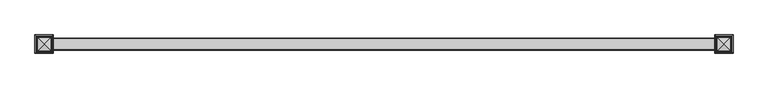
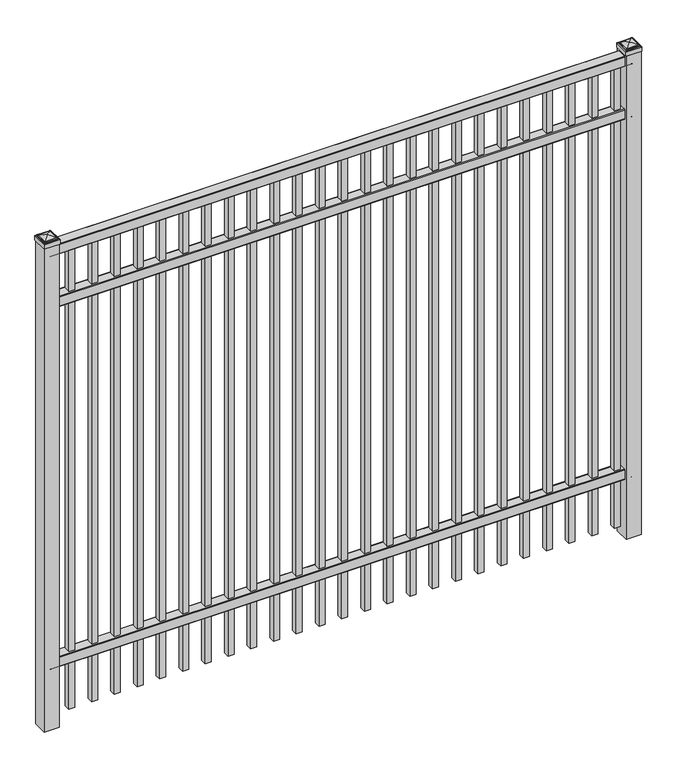
"""IFC4 building model written with IfcOpenShell, lengths in millimetres: railing geometry."""

from ifc_helpers import new_model, si_unit, point, frame, frame_2d, origin, origin_with_axes, place, context, project, spatial, polyline, circle_curve, ellipse_curve, trimmed, segment, composite_curve, outline, extrude, source, transform, mapped, element, save
from ifc_brep_helpers import plane_surface, cylinder_surface, advanced_brep


def railing_3bb2d0bb(model_context):
    return source(origin(), model_context, "Body", "SolidModel", [
        extrude(outline(composite_curve([segment(polyline([(8825.9139761, 304.8), (8863.969541, 304.8)]), True, "CONTINUOUS"), segment(trimmed(circle_curve(frame_2d((8863.969541, 301.625)), 3.175), [point((8863.969541, 304.8))], [point((8867.144541, 301.625))], False, "CARTESIAN"), True, "CONTINUOUS"), segment(polyline([(8867.144541, 301.625), (8867.144541, 262.1439893)]), True, "CONTINUOUS"), segment(trimmed(circle_curve(frame_2d((8865.3505518, 262.1439893)), 1.7939893), [point((8867.144541, 262.1439893))], [point((8865.3505518, 260.35))], False, "CARTESIAN"), True, "CONTINUOUS"), segment(polyline([(8865.3505518, 260.35), (8862.7590713, 260.35)]), True, "CONTINUOUS"), segment(trimmed(circle_curve(frame_2d((8862.7590713, 262.1359375)), 1.7859375), [point((8862.7590713, 260.35))], [point((8860.9755813, 262.0424688))], False, "CARTESIAN"), True, "CONTINUOUS"), segment(polyline([(8860.9755813, 262.0424688), (8859.4025867, 292.0569942), (8830.4364954, 292.0569942), (8828.8635007, 262.0424688)]), True, "CONTINUOUS"), segment(trimmed(circle_curve(frame_2d((8827.0800108, 262.1359375)), 1.7859375), [point((8828.8635007, 262.0424688))], [point((8827.0800108, 260.35))], False, "CARTESIAN"), True, "CONTINUOUS"), segment(polyline([(8827.0800108, 260.35), (8824.4804785, 260.35)]), True, "CONTINUOUS"), segment(trimmed(circle_curve(frame_2d((8824.4804785, 262.1359375)), 1.7859375), [point((8824.4804785, 260.35))], [point((8822.694541, 262.1359375))], False, "CARTESIAN"), True, "CONTINUOUS"), segment(polyline([(8822.694541, 262.1359375), (8822.694541, 301.5805649)]), True, "CONTINUOUS"), segment(trimmed(circle_curve(frame_2d((8825.9139761, 301.5805649)), 3.2194351), [point((8822.694541, 301.5805649))], [point((8825.9139761, 304.8))], False, "CARTESIAN"), True, "CONTINUOUS")], self_intersect=False)), frame((-10765.0649936, 0.0, 0.0), z_axis=(1.0, 0.0, 0.0), x_axis=(0.0, 1.0, 0.0)), (0.0, 0.0, 1.0), 2438.4),
        extrude(outline(composite_curve([segment(polyline([(8825.9139761, 1900.2375), (8863.969541, 1900.2375)]), True, "CONTINUOUS"), segment(trimmed(circle_curve(frame_2d((8863.969541, 1897.0625)), 3.175), [point((8863.969541, 1900.2375))], [point((8867.144541, 1897.0625))], False, "CARTESIAN"), True, "CONTINUOUS"), segment(polyline([(8867.144541, 1897.0625), (8867.144541, 1857.5814893)]), True, "CONTINUOUS"), segment(trimmed(circle_curve(frame_2d((8865.3505518, 1857.5814893)), 1.7939893), [point((8867.144541, 1857.5814893))], [point((8865.3505518, 1855.7875))], False, "CARTESIAN"), True, "CONTINUOUS"), segment(polyline([(8865.3505518, 1855.7875), (8862.7590713, 1855.7875)]), True, "CONTINUOUS"), segment(trimmed(circle_curve(frame_2d((8862.7590713, 1857.5734375)), 1.7859375), [point((8862.7590713, 1855.7875))], [point((8860.9755813, 1857.4799688))], False, "CARTESIAN"), True, "CONTINUOUS"), segment(polyline([(8860.9755813, 1857.4799688), (8859.4025867, 1887.4944942), (8830.4364954, 1887.4944942), (8828.8635007, 1857.4799688)]), True, "CONTINUOUS"), segment(trimmed(circle_curve(frame_2d((8827.0800108, 1857.5734375)), 1.7859375), [point((8828.8635007, 1857.4799688))], [point((8827.0800108, 1855.7875))], False, "CARTESIAN"), True, "CONTINUOUS"), segment(polyline([(8827.0800108, 1855.7875), (8824.4804785, 1855.7875)]), True, "CONTINUOUS"), segment(trimmed(circle_curve(frame_2d((8824.4804785, 1857.5734375)), 1.7859375), [point((8824.4804785, 1855.7875))], [point((8822.694541, 1857.5734375))], False, "CARTESIAN"), True, "CONTINUOUS"), segment(polyline([(8822.694541, 1857.5734375), (8822.694541, 1897.0180649)]), True, "CONTINUOUS"), segment(trimmed(circle_curve(frame_2d((8825.9139761, 1897.0180649)), 3.2194351), [point((8822.694541, 1897.0180649))], [point((8825.9139761, 1900.2375))], False, "CARTESIAN"), True, "CONTINUOUS")], self_intersect=False)), frame((-10765.0649936, 0.0, 0.0), z_axis=(1.0, 0.0, 0.0), x_axis=(0.0, 1.0, 0.0)), (0.0, 0.0, 1.0), 2438.4),
        extrude(outline(composite_curve([segment(polyline([(8825.9139761, 2133.6), (8863.969541, 2133.6)]), True, "CONTINUOUS"), segment(trimmed(circle_curve(frame_2d((8863.969541, 2130.425)), 3.175), [point((8863.969541, 2133.6))], [point((8867.144541, 2130.425))], False, "CARTESIAN"), True, "CONTINUOUS"), segment(polyline([(8867.144541, 2130.425), (8867.144541, 2090.9439893)]), True, "CONTINUOUS"), segment(trimmed(circle_curve(frame_2d((8865.3505518, 2090.9439893)), 1.7939893), [point((8867.144541, 2090.9439893))], [point((8865.3505518, 2089.15))], False, "CARTESIAN"), True, "CONTINUOUS"), segment(polyline([(8865.3505518, 2089.15), (8862.7590713, 2089.15)]), True, "CONTINUOUS"), segment(trimmed(circle_curve(frame_2d((8862.7590713, 2090.9359375)), 1.7859375), [point((8862.7590713, 2089.15))], [point((8860.9755813, 2090.8424688))], False, "CARTESIAN"), True, "CONTINUOUS"), segment(polyline([(8860.9755813, 2090.8424688), (8859.4025867, 2120.8569942), (8830.4364954, 2120.8569942), (8828.8635007, 2090.8424688)]), True, "CONTINUOUS"), segment(trimmed(circle_curve(frame_2d((8827.0800108, 2090.9359375)), 1.7859375), [point((8828.8635007, 2090.8424688))], [point((8827.0800108, 2089.15))], False, "CARTESIAN"), True, "CONTINUOUS"), segment(polyline([(8827.0800108, 2089.15), (8824.4804785, 2089.15)]), True, "CONTINUOUS"), segment(trimmed(circle_curve(frame_2d((8824.4804785, 2090.9359375)), 1.7859375), [point((8824.4804785, 2089.15))], [point((8822.694541, 2090.9359375))], False, "CARTESIAN"), True, "CONTINUOUS"), segment(polyline([(8822.694541, 2090.9359375), (8822.694541, 2130.3805649)]), True, "CONTINUOUS"), segment(trimmed(circle_curve(frame_2d((8825.9139761, 2130.3805649)), 3.2194351), [point((8822.694541, 2130.3805649))], [point((8825.9139761, 2133.6))], False, "CARTESIAN"), True, "CONTINUOUS")], self_intersect=False)), frame((-10765.0649936, 0.0, 0.0), z_axis=(1.0, 0.0, 0.0), x_axis=(0.0, 1.0, 0.0)), (0.0, 0.0, 1.0), 2438.4),
        extrude(outline(polyline([(0.0, -2038.35), (0.0, 0.0), (25.4, 0.0), (25.4, -2038.35), (0.0, -2038.35)])), frame((-8371.1149864, 8857.619541, 2089.15), z_axis=(-1.0, 0.0, 2.0357833487507914e-09), x_axis=(0.0, -1.0, 0.0)), (0.0, 0.0, 1.0), 25.4),
        extrude(outline(polyline([(0.0, -2038.35), (0.0, 0.0), (25.4, 0.0), (25.4, -2038.35), (0.0, -2038.35)])), frame((-8466.3649864, 8857.619541, 2089.15), z_axis=(-1.0, 0.0, 2.0357833487507914e-09), x_axis=(0.0, -1.0, 0.0)), (0.0, 0.0, 1.0), 25.4),
        extrude(outline(polyline([(0.0, -2038.35), (0.0, 0.0), (25.4, 0.0), (25.4, -2038.35), (0.0, -2038.35)])), frame((-8561.6149864, 8857.619541, 2089.15), z_axis=(-1.0, 0.0, 2.0357833487507914e-09), x_axis=(0.0, -1.0, 0.0)), (0.0, 0.0, 1.0), 25.4),
        extrude(outline(polyline([(0.0, -2038.35), (0.0, 0.0), (25.4, 0.0), (25.4, -2038.35), (0.0, -2038.35)])), frame((-8656.8649864, 8857.619541, 2089.15), z_axis=(-1.0, 0.0, 2.0357833487507914e-09), x_axis=(0.0, -1.0, 0.0)), (0.0, 0.0, 1.0), 25.4),
        extrude(outline(polyline([(0.0, -2038.35), (0.0, 0.0), (25.4, 0.0), (25.4, -2038.35), (0.0, -2038.35)])), frame((-8752.1149864, 8857.619541, 2089.15), z_axis=(-1.0, 0.0, 2.0357833487507914e-09), x_axis=(0.0, -1.0, 0.0)), (0.0, 0.0, 1.0), 25.4),
        extrude(outline(polyline([(0.0, -2038.35), (0.0, 0.0), (25.4, 0.0), (25.4, -2038.35), (0.0, -2038.35)])), frame((-8847.3649864, 8857.619541, 2089.15), z_axis=(-1.0, 0.0, 2.0357833487507914e-09), x_axis=(0.0, -1.0, 0.0)), (0.0, 0.0, 1.0), 25.4),
        extrude(outline(polyline([(0.0, -2038.35), (0.0, 0.0), (25.4, 0.0), (25.4, -2038.35), (0.0, -2038.35)])), frame((-8942.6149864, 8857.619541, 2089.15), z_axis=(-1.0, 0.0, 2.0357833487507914e-09), x_axis=(0.0, -1.0, 0.0)), (0.0, 0.0, 1.0), 25.4),
        extrude(outline(polyline([(0.0, -2038.35), (0.0, 0.0), (25.4, 0.0), (25.4, -2038.35), (0.0, -2038.35)])), frame((-9037.8649864, 8857.619541, 2089.15), z_axis=(-1.0, 0.0, 2.0357833487507914e-09), x_axis=(0.0, -1.0, 0.0)), (0.0, 0.0, 1.0), 25.4),
        extrude(outline(polyline([(0.0, -2038.35), (0.0, 0.0), (25.4, 0.0), (25.4, -2038.35), (0.0, -2038.35)])), frame((-9133.1149864, 8857.619541, 2089.15), z_axis=(-1.0, 0.0, 2.0357833487507914e-09), x_axis=(0.0, -1.0, 0.0)), (0.0, 0.0, 1.0), 25.4),
        extrude(outline(polyline([(0.0, -2038.35), (0.0, 0.0), (25.4, 0.0), (25.4, -2038.35), (0.0, -2038.35)])), frame((-9228.3649864, 8857.619541, 2089.15), z_axis=(-1.0, 0.0, 2.0357833487507914e-09), x_axis=(0.0, -1.0, 0.0)), (0.0, 0.0, 1.0), 25.4),
        extrude(outline(polyline([(0.0, -2038.35), (0.0, 0.0), (25.4, 0.0), (25.4, -2038.35), (0.0, -2038.35)])), frame((-9323.6149864, 8857.619541, 2089.15), z_axis=(-1.0, 0.0, 2.0357833487507914e-09), x_axis=(0.0, -1.0, 0.0)), (0.0, 0.0, 1.0), 25.4),
        extrude(outline(polyline([(0.0, -2038.35), (0.0, 0.0), (25.4, 0.0), (25.4, -2038.35), (0.0, -2038.35)])), frame((-9418.8649864, 8857.619541, 2089.15), z_axis=(-1.0, 0.0, 2.0357833487507914e-09), x_axis=(0.0, -1.0, 0.0)), (0.0, 0.0, 1.0), 25.4),
        extrude(outline(polyline([(0.0, -2038.35), (0.0, 0.0), (25.4, 0.0), (25.4, -2038.35), (0.0, -2038.35)])), frame((-9514.1149864, 8857.619541, 2089.15), z_axis=(-1.0, 0.0, 2.0357833487507914e-09), x_axis=(0.0, -1.0, 0.0)), (0.0, 0.0, 1.0), 25.4),
        extrude(outline(polyline([(0.0, -2038.35), (0.0, 0.0), (25.4, 0.0), (25.4, -2038.35), (0.0, -2038.35)])), frame((-9609.3649864, 8857.619541, 2089.15), z_axis=(-1.0, 0.0, 2.0357833487507914e-09), x_axis=(0.0, -1.0, 0.0)), (0.0, 0.0, 1.0), 25.4),
        extrude(outline(polyline([(0.0, -2038.35), (0.0, 0.0), (25.4, 0.0), (25.4, -2038.35), (0.0, -2038.35)])), frame((-9704.6149864, 8857.619541, 2089.15), z_axis=(-1.0, 0.0, 2.0357833487507914e-09), x_axis=(0.0, -1.0, 0.0)), (0.0, 0.0, 1.0), 25.4),
        extrude(outline(polyline([(0.0, -2038.35), (0.0, 0.0), (25.4, 0.0), (25.4, -2038.35), (0.0, -2038.35)])), frame((-9799.8649864, 8857.619541, 2089.15), z_axis=(-1.0, 0.0, 2.0357833487507914e-09), x_axis=(0.0, -1.0, 0.0)), (0.0, 0.0, 1.0), 25.4),
        extrude(outline(polyline([(0.0, -2038.35), (0.0, 0.0), (25.4, 0.0), (25.4, -2038.35), (0.0, -2038.35)])), frame((-9895.1149864, 8857.619541, 2089.15), z_axis=(-1.0, 0.0, 2.0357833487507914e-09), x_axis=(0.0, -1.0, 0.0)), (0.0, 0.0, 1.0), 25.4),
        extrude(outline(polyline([(0.0, -2038.35), (0.0, 0.0), (25.4, 0.0), (25.4, -2038.35), (0.0, -2038.35)])), frame((-9990.3649864, 8857.619541, 2089.15), z_axis=(-1.0, 0.0, 2.0357833487507914e-09), x_axis=(0.0, -1.0, 0.0)), (0.0, 0.0, 1.0), 25.4),
        extrude(outline(polyline([(0.0, -2038.35), (0.0, 0.0), (25.4, 0.0), (25.4, -2038.35), (0.0, -2038.35)])), frame((-10085.6149864, 8857.619541, 2089.15), z_axis=(-1.0, 0.0, 2.0357833487507914e-09), x_axis=(0.0, -1.0, 0.0)), (0.0, 0.0, 1.0), 25.4),
        extrude(outline(polyline([(0.0, -2038.35), (0.0, 0.0), (25.4, 0.0), (25.4, -2038.35), (0.0, -2038.35)])), frame((-10180.8649864, 8857.619541, 2089.15), z_axis=(-1.0, 0.0, 2.0357833487507914e-09), x_axis=(0.0, -1.0, 0.0)), (0.0, 0.0, 1.0), 25.4),
        extrude(outline(polyline([(0.0, -2038.35), (0.0, 0.0), (25.4, 0.0), (25.4, -2038.35), (0.0, -2038.35)])), frame((-10276.1149864, 8857.619541, 2089.15), z_axis=(-1.0, 0.0, 2.0357833487507914e-09), x_axis=(0.0, -1.0, 0.0)), (0.0, 0.0, 1.0), 25.4),
        extrude(outline(polyline([(0.0, -2038.35), (0.0, 0.0), (25.4, 0.0), (25.4, -2038.35), (0.0, -2038.35)])), frame((-10371.3649864, 8857.619541, 2089.15), z_axis=(-1.0, 0.0, 2.0357833487507914e-09), x_axis=(0.0, -1.0, 0.0)), (0.0, 0.0, 1.0), 25.4),
        extrude(outline(polyline([(0.0, -2038.35), (0.0, 0.0), (25.4, 0.0), (25.4, -2038.35), (0.0, -2038.35)])), frame((-10466.6149864, 8857.619541, 2089.15), z_axis=(-1.0, 0.0, 2.0357833487507914e-09), x_axis=(0.0, -1.0, 0.0)), (0.0, 0.0, 1.0), 25.4),
        extrude(outline(polyline([(0.0, -2038.35), (0.0, 0.0), (25.4, 0.0), (25.4, -2038.35), (0.0, -2038.35)])), frame((-10561.8649864, 8857.619541, 2089.15), z_axis=(-1.0, 0.0, 2.0357833487507914e-09), x_axis=(0.0, -1.0, 0.0)), (0.0, 0.0, 1.0), 25.4),
        extrude(outline(polyline([(0.0, -2038.35), (0.0, 0.0), (25.4, 0.0), (25.4, -2038.35), (0.0, -2038.35)])), frame((-10657.1149864, 8857.619541, 2089.15), z_axis=(-1.0, 0.0, 2.0357833487507914e-09), x_axis=(0.0, -1.0, 0.0)), (0.0, 0.0, 1.0), 25.4),
        extrude(outline(polyline([(-8294.9149936, 8876.669541), (-8294.9149936, 8813.169541), (-8358.4149936, 8813.169541), (-8358.4149936, 8876.669541), (-8294.9149936, 8876.669541)])), origin_with_axes(), (0.0, 0.0, 1.0), 2141.5375),
        advanced_brep(
        [(-8360.0024936, 8878.257041, 2159.79375), (-8360.0024936, 8878.257041, 2141.5375), (-8360.0024936, 8811.582041, 2141.5375), (-8360.0024936, 8811.582041, 2159.79375), (-8357.6212436, 8875.875791, 2162.175), (-8357.6212436, 8813.963291, 2162.175), (-8355.2399936, 8873.494541, 2164.55625), (-8355.2399936, 8873.494541, 2162.175), (-8355.2399936, 8816.344541, 2162.175), (-8355.2399936, 8816.344541, 2164.55625), (-8352.8587436, 8871.113291, 2166.9375), (-8352.8587436, 8818.725791, 2166.9375), (-8326.6649936, 8844.919541, 2173.2875), (-8350.4774936, 8868.732041, 2166.9375), (-8350.4774936, 8821.107041, 2166.9375), (-8293.3274936, 8811.582041, 2141.5375), (-8293.3274936, 8811.582041, 2159.79375), (-8295.7087436, 8813.963291, 2162.175), (-8298.0899936, 8816.344541, 2162.175), (-8298.0899936, 8816.344541, 2164.55625), (-8300.4712436, 8818.725791, 2166.9375), (-8302.8524936, 8821.107041, 2166.9375), (-8293.3274936, 8878.257041, 2141.5375), (-8293.3274936, 8878.257041, 2159.79375), (-8295.7087436, 8875.875791, 2162.175), (-8298.0899936, 8873.494541, 2162.175), (-8298.0899936, 8873.494541, 2164.55625), (-8300.4712436, 8871.113291, 2166.9375), (-8302.8524936, 8868.732041, 2166.9375)],
        [
            (0, 1),
            (1, 2),
            (2, 3),
            (3, 0),
            (4, 0, ellipse_curve(frame((-8357.6212436, 8875.875791, 2159.79375), z_axis=(-0.70710678118655, -0.7071067811865449, 0.0), x_axis=(-0.7071067811865448, 0.7071067811865501, 0.0)), 3.367596, 2.38125)),
            (3, 5, ellipse_curve(frame((-8357.6212436, 8813.963291, 2159.79375), z_axis=(-0.7071067811865449, 0.70710678118655, 0.0), x_axis=(0.7071067811865499, 0.707106781186545, 0.0)), 3.367596, 2.38125)),
            (5, 4),
            (6, 7),
            (7, 8),
            (8, 9),
            (9, 6),
            (10, 6, ellipse_curve(frame((-8352.8587436, 8871.113291, 2164.55625), z_axis=(-0.70710678118655, -0.7071067811865449, 0.0), x_axis=(-0.7071067811865448, 0.7071067811865501, 0.0)), 3.367596, 2.38125)),
            (9, 11, ellipse_curve(frame((-8352.8587436, 8818.725791, 2164.55625), z_axis=(-0.7071067811865449, 0.70710678118655, 0.0), x_axis=(0.7071067811865499, 0.707106781186545, 0.0)), 3.367596, 2.38125)),
            (11, 10),
            (12, 13, ellipse_curve(frame((-8326.6649936, 8844.919541, 2125.4640625), z_axis=(-0.70710678118655, -0.7071067811865449, 0.0), x_axis=(-0.7071067811865448, 0.7071067811865501, 0.0)), 67.6325539, 47.8234375)),
            (13, 14),
            (14, 12, ellipse_curve(frame((-8326.6649936, 8844.919541, 2125.4640625), z_axis=(-0.7071067811865449, 0.70710678118655, 0.0), x_axis=(0.7071067811865499, 0.707106781186545, 0.0)), 67.6325539, 47.8234375)),
            (2, 15),
            (15, 16),
            (16, 3),
            (16, 17, ellipse_curve(frame((-8295.7087436, 8813.963291, 2159.79375), z_axis=(-0.70710678118655, -0.707106781186545, 0.0), x_axis=(-0.707106781186545, 0.70710678118655, 0.0)), 3.367596, 2.38125)),
            (17, 5),
            (8, 18),
            (18, 19),
            (19, 9),
            (19, 20, ellipse_curve(frame((-8300.4712436, 8818.725791, 2164.55625), z_axis=(-0.70710678118655, -0.707106781186545, 0.0), x_axis=(-0.707106781186545, 0.70710678118655, 0.0)), 3.367596, 2.38125)),
            (20, 11),
            (14, 21),
            (21, 12, ellipse_curve(frame((-8326.6649936, 8844.919541, 2125.4640625), z_axis=(-0.70710678118655, -0.707106781186545, 0.0), x_axis=(-0.707106781186545, 0.70710678118655, 0.0)), 67.6325539, 47.8234375)),
            (15, 22),
            (22, 23),
            (23, 16),
            (23, 24, ellipse_curve(frame((-8295.7087436, 8875.875791, 2159.79375), z_axis=(0.707106781186545, -0.7071067811865499, 0.0), x_axis=(-0.7071067811865497, -0.7071067811865452, 0.0)), 3.367596, 2.38125)),
            (24, 17),
            (18, 25),
            (25, 26),
            (26, 19),
            (26, 27, ellipse_curve(frame((-8300.4712436, 8871.113291, 2164.55625), z_axis=(0.707106781186545, -0.7071067811865499, 0.0), x_axis=(-0.7071067811865497, -0.7071067811865452, 0.0)), 3.367596, 2.38125)),
            (27, 20),
            (21, 28),
            (28, 12, ellipse_curve(frame((-8326.6649936, 8844.919541, 2125.4640625), z_axis=(0.707106781186545, -0.7071067811865499, 0.0), x_axis=(-0.7071067811865497, -0.7071067811865452, 0.0)), 67.6325539, 47.8234375)),
            (22, 1),
            (0, 23),
            (4, 24),
            (7, 25),
            (6, 26),
            (10, 27),
            (13, 28),
        ],
        [
            plane_surface(frame((-8360.0024936, 8878.257041, 2141.5375), z_axis=(-1.0, 0.0, 0.0), x_axis=(0.0, -1.0, 0.0))),
            cylinder_surface(frame((-8357.6212436, 8876.669541, 2159.79375), z_axis=(0.0, 1.0, 0.0), x_axis=(1.0, 0.0, 0.0)), 2.38125),
            plane_surface(frame((-8355.2399936, 8873.494541, 2162.175), z_axis=(-1.0, 0.0, 0.0), x_axis=(0.0, -1.0, 0.0))),
            cylinder_surface(frame((-8352.8587436, 8876.669541, 2164.55625), z_axis=(0.0, 1.0, 0.0), x_axis=(1.0, 0.0, 0.0)), 2.38125),
            cylinder_surface(frame((-8326.6649936, 8876.669541, 2125.4640625), z_axis=(0.0, 1.0, 0.0), x_axis=(1.0, 0.0, 0.0)), 47.8234375),
            plane_surface(frame((-8360.0024936, 8811.582041, 2141.5375), z_axis=(0.0, -1.0, 0.0), x_axis=(1.0, 0.0, 0.0))),
            cylinder_surface(frame((-8358.4149936, 8813.963291, 2159.79375), z_axis=(-1.0, 0.0, 0.0), x_axis=(0.0, 1.0, 0.0)), 2.38125),
            plane_surface(frame((-8355.2399936, 8816.344541, 2162.175), z_axis=(0.0, -1.0, 0.0), x_axis=(1.0, 0.0, 0.0))),
            cylinder_surface(frame((-8358.4149936, 8818.725791, 2164.55625), z_axis=(-1.0, 0.0, 0.0), x_axis=(0.0, 1.0, 0.0)), 2.38125),
            cylinder_surface(frame((-8358.4149936, 8844.919541, 2125.4640625), z_axis=(-1.0, 0.0, 0.0), x_axis=(0.0, 1.0, 0.0)), 47.8234375),
            plane_surface(frame((-8293.3274936, 8811.582041, 2141.5375), z_axis=(1.0, 0.0, 0.0), x_axis=(0.0, 1.0, 0.0))),
            cylinder_surface(frame((-8295.7087436, 8813.169541, 2159.79375), z_axis=(0.0, -1.0, 0.0), x_axis=(-1.0, 0.0, 0.0)), 2.38125),
            plane_surface(frame((-8298.0899936, 8816.344541, 2162.175), z_axis=(1.0, 0.0, 0.0), x_axis=(0.0, 1.0, 0.0))),
            cylinder_surface(frame((-8300.4712436, 8813.169541, 2164.55625), z_axis=(0.0, -1.0, 0.0), x_axis=(-1.0, 0.0, 0.0)), 2.38125),
            cylinder_surface(frame((-8326.6649936, 8813.169541, 2125.4640625), z_axis=(0.0, -1.0, 0.0), x_axis=(-1.0, 0.0, 0.0)), 47.8234375),
            plane_surface(frame((-8293.3274936, 8878.257041, 2141.5375), z_axis=(0.0, 1.0, 0.0), x_axis=(-1.0, 0.0, 0.0))),
            cylinder_surface(frame((-8294.9149936, 8875.875791, 2159.79375), z_axis=(1.0, 0.0, 0.0), x_axis=(0.0, -1.0, 0.0)), 2.38125),
            plane_surface(frame((-8295.7087436, 8875.875791, 2162.175), z_axis=(0.0, 0.0, 1.0), x_axis=(-1.0, 0.0, 0.0))),
            plane_surface(frame((-8298.0899936, 8873.494541, 2162.175), z_axis=(0.0, 1.0, 0.0), x_axis=(-1.0, 0.0, 0.0))),
            cylinder_surface(frame((-8294.9149936, 8871.113291, 2164.55625), z_axis=(1.0, 0.0, 0.0), x_axis=(0.0, -1.0, 0.0)), 2.38125),
            plane_surface(frame((-8300.4712436, 8871.113291, 2166.9375), z_axis=(0.0, 0.0, 1.0), x_axis=(-1.0, 0.0, 0.0))),
            cylinder_surface(frame((-8294.9149936, 8844.919541, 2125.4640625), z_axis=(1.0, 0.0, 0.0), x_axis=(0.0, -1.0, 0.0)), 47.8234375),
            plane_surface(frame((-8326.6649936, 8844.919541, 2141.5375), z_axis=(0.0, 0.0, -1.0), x_axis=(-1.0, 0.0, 0.0))),
        ],
        [
            (0, [[1, 2, 3, 4]]),
            (1, [[5, -4, 6, 7]]),
            (2, [[8, 9, 10, 11]]),
            (3, [[12, -11, 13, 14]]),
            (4, [[15, 16, 17]]),
            (5, [[-3, 18, 19, 20]]),
            (6, [[-6, -20, 21, 22]]),
            (7, [[-10, 23, 24, 25]]),
            (8, [[-13, -25, 26, 27]]),
            (9, [[-17, 28, 29]]),
            (10, [[-19, 30, 31, 32]]),
            (11, [[-21, -32, 33, 34]]),
            (12, [[-24, 35, 36, 37]]),
            (13, [[-26, -37, 38, 39]]),
            (14, [[-29, 40, 41]]),
            (15, [[-31, 42, -1, 43]]),
            (16, [[-33, -43, -5, 44]]),
            (17, [[-22, -34, -44, -7], [45, -35, -23, -9]]),
            (18, [[-36, -45, -8, 46]]),
            (19, [[-38, -46, -12, 47]]),
            (20, [[-27, -39, -47, -14], [48, -40, -28, -16]]),
            (21, [[-41, -48, -15]]),
            (22, [[-42, -30, -18, -2]]),
        ],
    ),
        extrude(outline(polyline([(-10733.3149936, 8876.669541), (-10733.3149936, 8813.169541), (-10796.8149936, 8813.169541), (-10796.8149936, 8876.669541), (-10733.3149936, 8876.669541)])), origin_with_axes(), (0.0, 0.0, 1.0), 2141.5375),
        advanced_brep(
        [(-10798.4024936, 8878.257041, 2159.79375), (-10798.4024936, 8878.257041, 2141.5375), (-10798.4024936, 8811.582041, 2141.5375), (-10798.4024936, 8811.582041, 2159.79375), (-10796.0212436, 8875.875791, 2162.175), (-10796.0212436, 8813.963291, 2162.175), (-10793.6399936, 8873.494541, 2164.55625), (-10793.6399936, 8873.494541, 2162.175), (-10793.6399936, 8816.344541, 2162.175), (-10793.6399936, 8816.344541, 2164.55625), (-10791.2587436, 8871.113291, 2166.9375), (-10791.2587436, 8818.725791, 2166.9375), (-10765.0649936, 8844.919541, 2173.2875), (-10788.8774936, 8868.732041, 2166.9375), (-10788.8774936, 8821.107041, 2166.9375), (-10731.7274936, 8811.582041, 2141.5375), (-10731.7274936, 8811.582041, 2159.79375), (-10734.1087436, 8813.963291, 2162.175), (-10736.4899936, 8816.344541, 2162.175), (-10736.4899936, 8816.344541, 2164.55625), (-10738.8712436, 8818.725791, 2166.9375), (-10741.2524936, 8821.107041, 2166.9375), (-10731.7274936, 8878.257041, 2141.5375), (-10731.7274936, 8878.257041, 2159.79375), (-10734.1087436, 8875.875791, 2162.175), (-10736.4899936, 8873.494541, 2162.175), (-10736.4899936, 8873.494541, 2164.55625), (-10738.8712436, 8871.113291, 2166.9375), (-10741.2524936, 8868.732041, 2166.9375)],
        [
            (0, 1),
            (1, 2),
            (2, 3),
            (3, 0),
            (4, 0, ellipse_curve(frame((-10796.0212436, 8875.875791, 2159.79375), z_axis=(-0.70710678118655, -0.7071067811865449, 0.0), x_axis=(-0.7071067811865448, 0.7071067811865501, 0.0)), 3.367596, 2.38125)),
            (3, 5, ellipse_curve(frame((-10796.0212436, 8813.963291, 2159.79375), z_axis=(-0.7071067811865449, 0.70710678118655, 0.0), x_axis=(0.7071067811865499, 0.707106781186545, 0.0)), 3.367596, 2.38125)),
            (5, 4),
            (6, 7),
            (7, 8),
            (8, 9),
            (9, 6),
            (10, 6, ellipse_curve(frame((-10791.2587436, 8871.113291, 2164.55625), z_axis=(-0.70710678118655, -0.7071067811865449, 0.0), x_axis=(-0.7071067811865448, 0.7071067811865501, 0.0)), 3.367596, 2.38125)),
            (9, 11, ellipse_curve(frame((-10791.2587436, 8818.725791, 2164.55625), z_axis=(-0.7071067811865449, 0.70710678118655, 0.0), x_axis=(0.7071067811865499, 0.707106781186545, 0.0)), 3.367596, 2.38125)),
            (11, 10),
            (12, 13, ellipse_curve(frame((-10765.0649936, 8844.919541, 2125.4640625), z_axis=(-0.70710678118655, -0.7071067811865449, 0.0), x_axis=(-0.7071067811865448, 0.7071067811865501, 0.0)), 67.6325539, 47.8234375)),
            (13, 14),
            (14, 12, ellipse_curve(frame((-10765.0649936, 8844.919541, 2125.4640625), z_axis=(-0.7071067811865449, 0.70710678118655, 0.0), x_axis=(0.7071067811865499, 0.707106781186545, 0.0)), 67.6325539, 47.8234375)),
            (2, 15),
            (15, 16),
            (16, 3),
            (16, 17, ellipse_curve(frame((-10734.1087436, 8813.963291, 2159.79375), z_axis=(-0.70710678118655, -0.707106781186545, 0.0), x_axis=(-0.707106781186545, 0.70710678118655, 0.0)), 3.367596, 2.38125)),
            (17, 5),
            (8, 18),
            (18, 19),
            (19, 9),
            (19, 20, ellipse_curve(frame((-10738.8712436, 8818.725791, 2164.55625), z_axis=(-0.70710678118655, -0.707106781186545, 0.0), x_axis=(-0.707106781186545, 0.70710678118655, 0.0)), 3.367596, 2.38125)),
            (20, 11),
            (14, 21),
            (21, 12, ellipse_curve(frame((-10765.0649936, 8844.919541, 2125.4640625), z_axis=(-0.70710678118655, -0.707106781186545, 0.0), x_axis=(-0.707106781186545, 0.70710678118655, 0.0)), 67.6325539, 47.8234375)),
            (15, 22),
            (22, 23),
            (23, 16),
            (23, 24, ellipse_curve(frame((-10734.1087436, 8875.875791, 2159.79375), z_axis=(0.707106781186545, -0.7071067811865499, 0.0), x_axis=(-0.7071067811865497, -0.7071067811865452, 0.0)), 3.367596, 2.38125)),
            (24, 17),
            (18, 25),
            (25, 26),
            (26, 19),
            (26, 27, ellipse_curve(frame((-10738.8712436, 8871.113291, 2164.55625), z_axis=(0.707106781186545, -0.7071067811865499, 0.0), x_axis=(-0.7071067811865497, -0.7071067811865452, 0.0)), 3.367596, 2.38125)),
            (27, 20),
            (21, 28),
            (28, 12, ellipse_curve(frame((-10765.0649936, 8844.919541, 2125.4640625), z_axis=(0.707106781186545, -0.7071067811865499, 0.0), x_axis=(-0.7071067811865497, -0.7071067811865452, 0.0)), 67.6325539, 47.8234375)),
            (22, 1),
            (0, 23),
            (4, 24),
            (7, 25),
            (6, 26),
            (10, 27),
            (13, 28),
        ],
        [
            plane_surface(frame((-10798.4024936, 8878.257041, 2141.5375), z_axis=(-1.0, 0.0, 0.0), x_axis=(0.0, -1.0, 0.0))),
            cylinder_surface(frame((-10796.0212436, 8876.669541, 2159.79375), z_axis=(0.0, 1.0, 0.0), x_axis=(1.0, 0.0, 0.0)), 2.38125),
            plane_surface(frame((-10793.6399936, 8873.494541, 2162.175), z_axis=(-1.0, 0.0, 0.0), x_axis=(0.0, -1.0, 0.0))),
            cylinder_surface(frame((-10791.2587436, 8876.669541, 2164.55625), z_axis=(0.0, 1.0, 0.0), x_axis=(1.0, 0.0, 0.0)), 2.38125),
            cylinder_surface(frame((-10765.0649936, 8876.669541, 2125.4640625), z_axis=(0.0, 1.0, 0.0), x_axis=(1.0, 0.0, 0.0)), 47.8234375),
            plane_surface(frame((-10798.4024936, 8811.582041, 2141.5375), z_axis=(0.0, -1.0, 0.0), x_axis=(1.0, 0.0, 0.0))),
            cylinder_surface(frame((-10796.8149936, 8813.963291, 2159.79375), z_axis=(-1.0, 0.0, 0.0), x_axis=(0.0, 1.0, 0.0)), 2.38125),
            plane_surface(frame((-10793.6399936, 8816.344541, 2162.175), z_axis=(0.0, -1.0, 0.0), x_axis=(1.0, 0.0, 0.0))),
            cylinder_surface(frame((-10796.8149936, 8818.725791, 2164.55625), z_axis=(-1.0, 0.0, 0.0), x_axis=(0.0, 1.0, 0.0)), 2.38125),
            cylinder_surface(frame((-10796.8149936, 8844.919541, 2125.4640625), z_axis=(-1.0, 0.0, 0.0), x_axis=(0.0, 1.0, 0.0)), 47.8234375),
            plane_surface(frame((-10731.7274936, 8811.582041, 2141.5375), z_axis=(1.0, 0.0, 0.0), x_axis=(0.0, 1.0, 0.0))),
            cylinder_surface(frame((-10734.1087436, 8813.169541, 2159.79375), z_axis=(0.0, -1.0, 0.0), x_axis=(-1.0, 0.0, 0.0)), 2.38125),
            plane_surface(frame((-10736.4899936, 8816.344541, 2162.175), z_axis=(1.0, 0.0, 0.0), x_axis=(0.0, 1.0, 0.0))),
            cylinder_surface(frame((-10738.8712436, 8813.169541, 2164.55625), z_axis=(0.0, -1.0, 0.0), x_axis=(-1.0, 0.0, 0.0)), 2.38125),
            cylinder_surface(frame((-10765.0649936, 8813.169541, 2125.4640625), z_axis=(0.0, -1.0, 0.0), x_axis=(-1.0, 0.0, 0.0)), 47.8234375),
            plane_surface(frame((-10731.7274936, 8878.257041, 2141.5375), z_axis=(0.0, 1.0, 0.0), x_axis=(-1.0, 0.0, 0.0))),
            cylinder_surface(frame((-10733.3149936, 8875.875791, 2159.79375), z_axis=(1.0, 0.0, 0.0), x_axis=(0.0, -1.0, 0.0)), 2.38125),
            plane_surface(frame((-10734.1087436, 8875.875791, 2162.175), z_axis=(0.0, 0.0, 1.0), x_axis=(-1.0, 0.0, 0.0))),
            plane_surface(frame((-10736.4899936, 8873.494541, 2162.175), z_axis=(0.0, 1.0, 0.0), x_axis=(-1.0, 0.0, 0.0))),
            cylinder_surface(frame((-10733.3149936, 8871.113291, 2164.55625), z_axis=(1.0, 0.0, 0.0), x_axis=(0.0, -1.0, 0.0)), 2.38125),
            plane_surface(frame((-10738.8712436, 8871.113291, 2166.9375), z_axis=(0.0, 0.0, 1.0), x_axis=(-1.0, 0.0, 0.0))),
            cylinder_surface(frame((-10733.3149936, 8844.919541, 2125.4640625), z_axis=(1.0, 0.0, 0.0), x_axis=(0.0, -1.0, 0.0)), 47.8234375),
            plane_surface(frame((-10765.0649936, 8844.919541, 2141.5375), z_axis=(0.0, 0.0, -1.0), x_axis=(-1.0, 0.0, 0.0))),
        ],
        [
            (0, [[1, 2, 3, 4]]),
            (1, [[5, -4, 6, 7]]),
            (2, [[8, 9, 10, 11]]),
            (3, [[12, -11, 13, 14]]),
            (4, [[15, 16, 17]]),
            (5, [[-3, 18, 19, 20]]),
            (6, [[-6, -20, 21, 22]]),
            (7, [[-10, 23, 24, 25]]),
            (8, [[-13, -25, 26, 27]]),
            (9, [[-17, 28, 29]]),
            (10, [[-19, 30, 31, 32]]),
            (11, [[-21, -32, 33, 34]]),
            (12, [[-24, 35, 36, 37]]),
            (13, [[-26, -37, 38, 39]]),
            (14, [[-29, 40, 41]]),
            (15, [[-31, 42, -1, 43]]),
            (16, [[-33, -43, -5, 44]]),
            (17, [[-22, -34, -44, -7], [45, -35, -23, -9]]),
            (18, [[-36, -45, -8, 46]]),
            (19, [[-38, -46, -12, 47]]),
            (20, [[-27, -39, -47, -14], [48, -40, -28, -16]]),
            (21, [[-41, -48, -15]]),
            (22, [[-42, -30, -18, -2]]),
        ],
    ),
    ])


if __name__ == "__main__":
    model = new_model("IFC4")
    model_context = context("Model", 3, world=origin())
    ifc_project = project(units=[si_unit("LENGTHUNIT", "METRE", prefix="MILLI")], contexts=[model_context])
    site = spatial("IfcSite", under=ifc_project)
    building = spatial("IfcBuilding", under=site)
    placement = place(None, origin())
    railing_shape = railing_3bb2d0bb(model_context)
    element("IfcRailing", 1, at=placement, inside=building, context=model_context, shape_type="MappedRepresentation", body=[
        mapped(railing_shape, transform((0.0, 0.0, 0.0), x_axis=(1.0, 0.0, 0.0), y_axis=(0.0, 1.0, 0.0), z_axis=(0.0, 0.0, 1.0))),
    ])
    save(model, "model.ifc")
